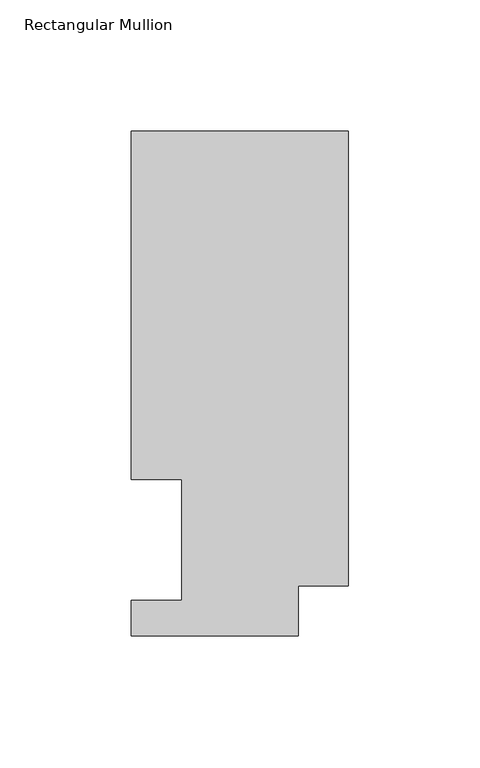
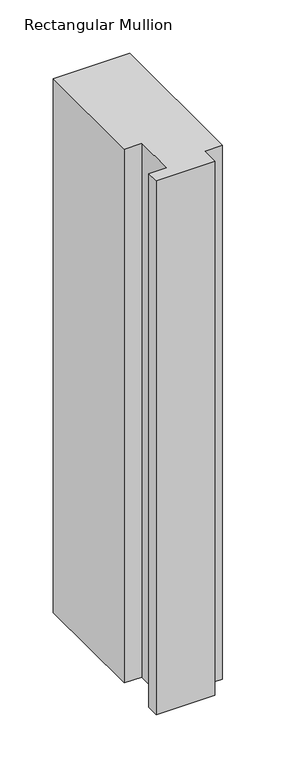
"""IFC4 building model written with IfcOpenShell, lengths in millimetres: member geometry, Rectangular Mullion."""

from ifc_helpers import new_model, si_unit, frame, origin, place, context, project, spatial, polyline, outline, extrude, source, transform, mapped, element, save


def rectangular_mullion_9cca9d77(model_context):
    return source(origin(), model_context, "Body", "SweptSolid", [
        extrude(outline(polyline([(-82.55, 192.09385), (0.0, 192.09385), (0.0, 19.06905), (-19.05, 19.06905), (-19.05, 0.04445), (-82.55, 0.04445), (-82.55, 13.50645), (-63.5, 13.50645), (-63.5, 59.53125), (-82.55, 59.53125), (-82.55, 192.09385)])), frame((0.0, 0.0, -609.56825), z_axis=(0.0, 0.0, 1.0), x_axis=(1.0, 0.0, 0.0)), (0.0, 0.0, 1.0), 609.56825),
    ])


if __name__ == "__main__":
    model = new_model("IFC4")
    model_context = context("Model", 3, world=origin())
    ifc_project = project(units=[si_unit("LENGTHUNIT", "METRE", prefix="MILLI")], contexts=[model_context])
    site = spatial("IfcSite", under=ifc_project)
    building = spatial("IfcBuilding", under=site)
    placement = place(None, origin())
    rectangular_mullion_shape = rectangular_mullion_9cca9d77(model_context)
    element("IfcMember", 1, ObjectType="Rectangular Mullion", at=placement, inside=building, context=model_context, shape_type="MappedRepresentation", body=[
        mapped(rectangular_mullion_shape, transform((0.0, 0.0, 0.0), x_axis=(1.0, 0.0, 0.0), y_axis=(0.0, 1.0, 0.0), z_axis=(0.0, 0.0, 1.0))),
    ])
    save(model, "model.ifc")
